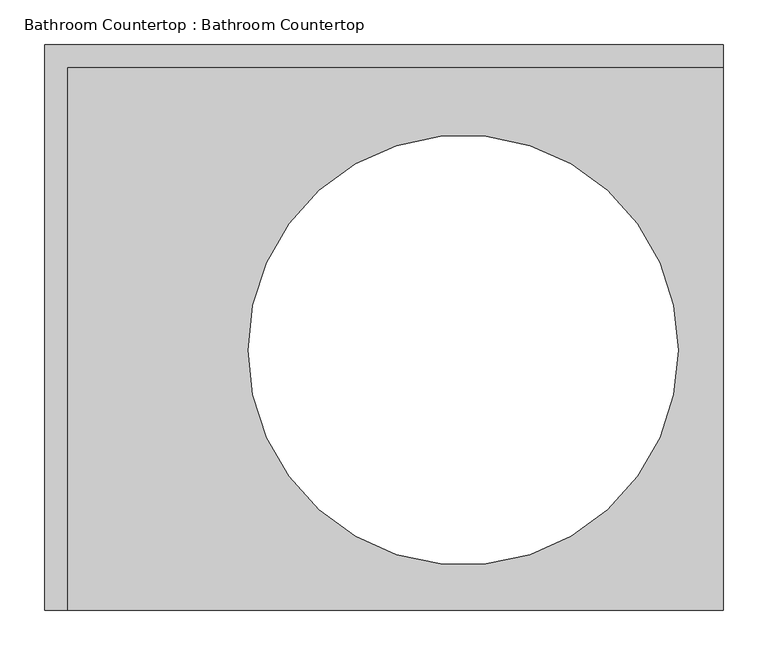
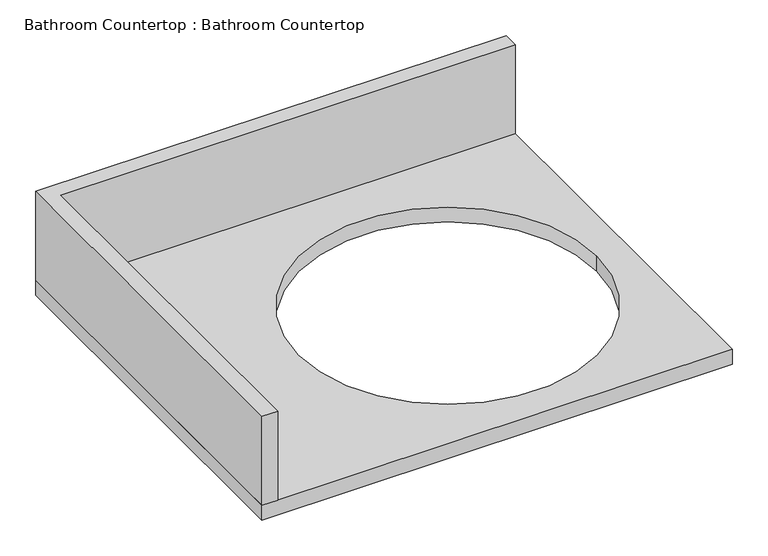
"""IFC4 building model written with IfcOpenShell, lengths in millimetres: proxy geometry, Bathroom Countertop : Bathroom Countertop."""

from ifc_helpers import new_model, si_unit, point, frame, frame_2d, origin, place, context, project, spatial, polyline, circle_curve, trimmed, segment, composite_curve, outline, extrude, source, transform, mapped, element, save


def bathroom_countertop_bathroom_countertop_27933cb9(model_context):
    return source(origin(), model_context, "Body", "SweptSolid", [
        extrude(outline(polyline([(-381.0, -47.9069568), (381.0, -47.9069568), (381.0, -73.3069568), (-355.6, -73.3069568), (-355.6, -682.9069568), (-381.0, -682.9069568), (-381.0, -47.9069568)])), frame((0.0, 0.0, 914.4), z_axis=(0.0, 0.0, 1.0), x_axis=(1.0, 0.0, 0.0)), (0.0, 0.0, 1.0), 152.4),
        extrude(outline(polyline([(-381.0, -682.9069568), (-381.0, -47.9069568), (381.0, -47.9069568), (381.0, -682.9069568), (-381.0, -682.9069568)]), holes=[composite_curve([segment(trimmed(circle_curve(frame_2d((88.9, -390.8069568)), 241.3), [point((-152.4, -390.8069568))], [point((330.2, -390.8069568))], True, "CARTESIAN"), True, "CONTINUOUS"), segment(trimmed(circle_curve(frame_2d((88.9, -390.8069568)), 241.3), [point((330.2, -390.8069568))], [point((-152.4, -390.8069568))], True, "CARTESIAN"), True, "CONTINUOUS")], self_intersect=False)]), frame((0.0, 0.0, 889.0), z_axis=(0.0, 0.0, 1.0), x_axis=(1.0, 0.0, 0.0)), (0.0, 0.0, 1.0), 25.4),
    ])


if __name__ == "__main__":
    model = new_model("IFC4")
    model_context = context("Model", 3, world=origin())
    ifc_project = project(units=[si_unit("LENGTHUNIT", "METRE", prefix="MILLI")], contexts=[model_context])
    site = spatial("IfcSite", under=ifc_project)
    building = spatial("IfcBuilding", under=site)
    placement = place(None, origin())
    bathroom_countertop_bathroom_countertop_shape = bathroom_countertop_bathroom_countertop_27933cb9(model_context)
    element("IfcBuildingElementProxy", 1, Name="Bathroom Countertop : Bathroom Countertop", ObjectType="Bathroom Countertop : Bathroom Countertop", at=placement, inside=building, context=model_context, shape_type="MappedRepresentation", body=[
        mapped(bathroom_countertop_bathroom_countertop_shape, transform((0.0, 0.0, 0.0), x_axis=(1.0, 0.0, 0.0), y_axis=(0.0, 1.0, 0.0), z_axis=(0.0, 0.0, 1.0))),
    ])
    save(model, "model.ifc")
